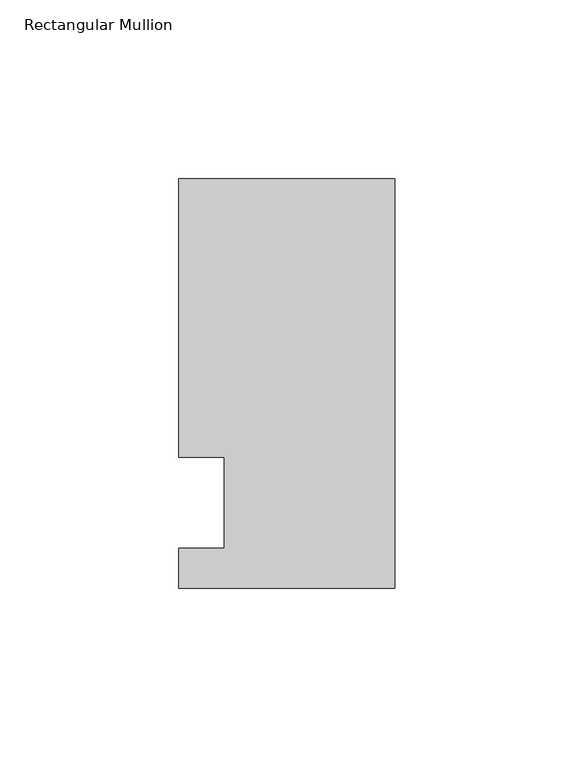
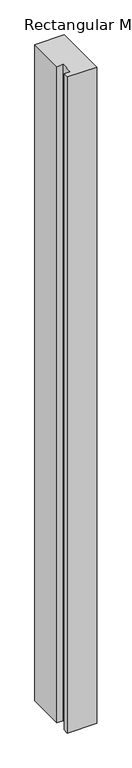
"""IFC4 building model written with IfcOpenShell, lengths in millimetres: member geometry, Rectangular Mullion."""

from ifc_helpers import new_model, si_unit, frame, origin, place, context, project, spatial, polyline, outline, extrude, source, transform, mapped, element, save


def rectangular_mullion_64bbd10e(model_context):
    return source(origin(), model_context, "Body", "SweptSolid", [
        extrude(outline(polyline([(-60.325, 90.4875), (0.0, 90.4875), (0.0, -23.8125), (-60.325, -23.8125), (-60.325, -12.7), (-47.6232296, -12.7), (-47.6232296, 12.7), (-60.325, 12.7), (-60.325, 90.4875)])), frame((0.0, 0.0, -1417.007264), z_axis=(0.0, 0.0, 1.0), x_axis=(1.0, 0.0, 0.0)), (0.0, 0.0, 1.0), 1417.007264),
    ])


if __name__ == "__main__":
    model = new_model("IFC4")
    model_context = context("Model", 3, world=origin())
    ifc_project = project(units=[si_unit("LENGTHUNIT", "METRE", prefix="MILLI")], contexts=[model_context])
    site = spatial("IfcSite", under=ifc_project)
    building = spatial("IfcBuilding", under=site)
    placement = place(None, origin())
    rectangular_mullion_shape = rectangular_mullion_64bbd10e(model_context)
    element("IfcMember", 1, ObjectType="Rectangular Mullion", at=placement, inside=building, context=model_context, shape_type="MappedRepresentation", body=[
        mapped(rectangular_mullion_shape, transform((0.0, 0.0, 0.0), x_axis=(1.0, 0.0, 0.0), y_axis=(0.0, 1.0, 0.0), z_axis=(0.0, 0.0, 1.0))),
    ])
    save(model, "model.ifc")
